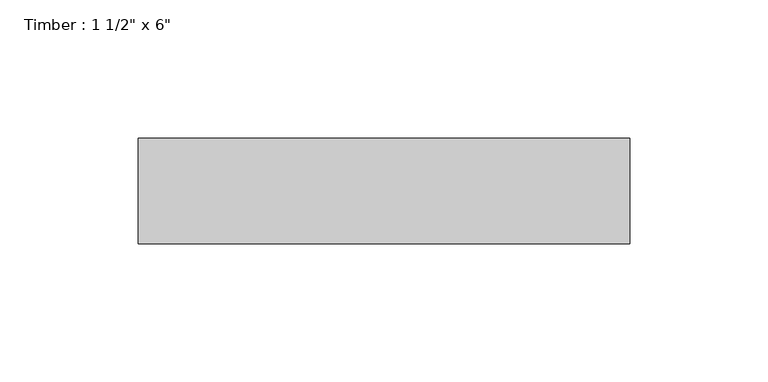
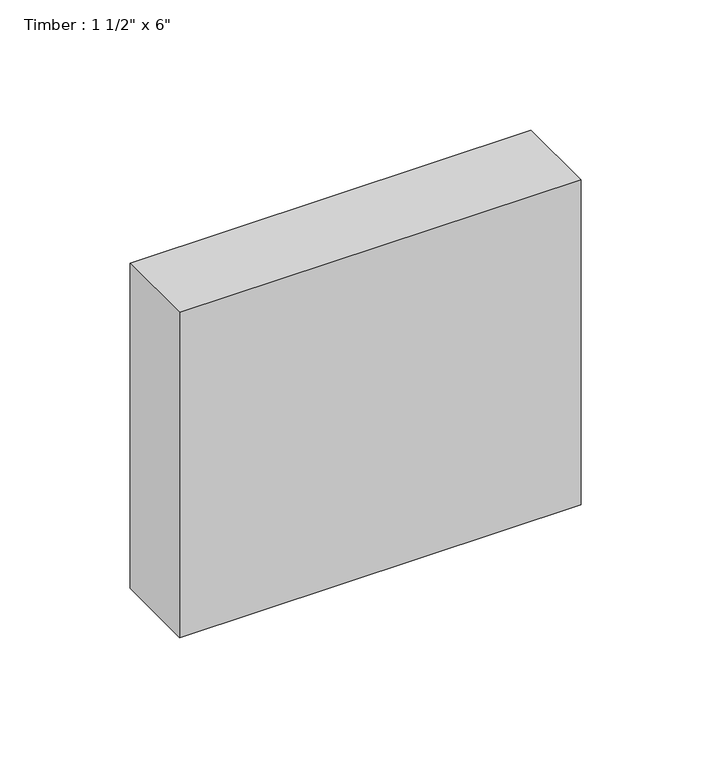
"""IFC4 building model written with IfcOpenShell, lengths in millimetres: beam geometry."""

from ifc_helpers import new_model, si_unit, frame, origin, place, context, project, spatial, polyline, outline, extrude, source, transform, mapped, element, save


def beam_abf65c6b(model_context):
    return source(origin(), model_context, "Body", "SweptSolid", [
        extrude(outline(polyline([(88.9, 19.05), (88.9, -19.05), (-88.9, -19.05), (-88.9, 19.05), (88.9, 19.05)])), frame((0.0, 0.0, -76.2), z_axis=(0.0, 0.0, 1.0), x_axis=(1.0, 0.0, 0.0)), (0.0, 0.0, 1.0), 152.4),
    ])


if __name__ == "__main__":
    model = new_model("IFC4")
    model_context = context("Model", 3, world=origin())
    ifc_project = project(units=[si_unit("LENGTHUNIT", "METRE", prefix="MILLI")], contexts=[model_context])
    site = spatial("IfcSite", under=ifc_project)
    building = spatial("IfcBuilding", under=site)
    placement = place(None, origin())
    beam_shape = beam_abf65c6b(model_context)
    element("IfcBeam", 1, ObjectType="Timber : 1 1/2\" x 6\"", at=placement, inside=building, context=model_context, shape_type="MappedRepresentation", body=[
        mapped(beam_shape, transform((0.0, 0.0, 0.0), x_axis=(1.0, 0.0, 0.0), y_axis=(0.0, 1.0, 0.0), z_axis=(0.0, 0.0, 1.0))),
    ])
    save(model, "model.ifc")
